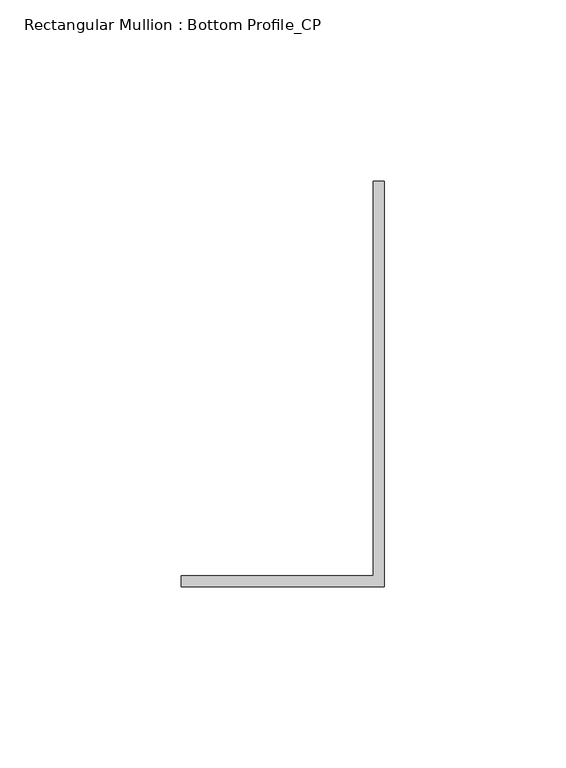
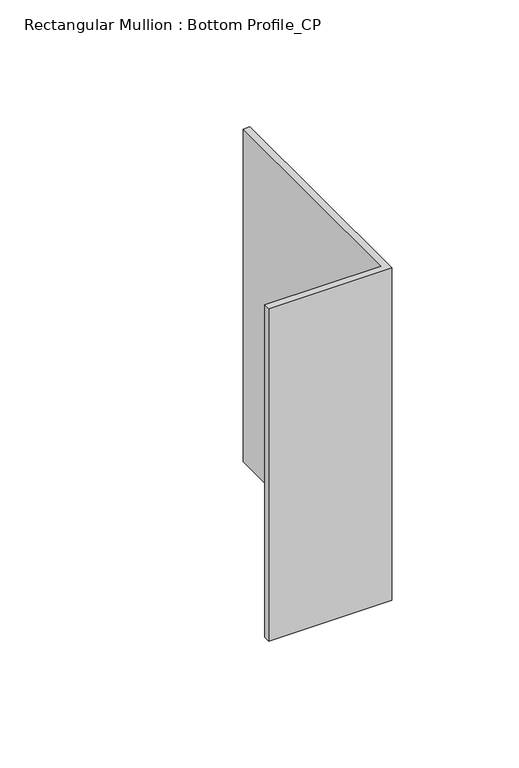
"""IFC4 building model written with IfcOpenShell, lengths in millimetres: member geometry, Rectangular Mullion : Bottom Profile_CP."""

from ifc_helpers import new_model, si_unit, frame, origin, place, context, project, spatial, polyline, outline, extrude, source, transform, mapped, element, save


def rectangular_mullion_bottom_profile_cp_449efe12(model_context):
    return source(origin(), model_context, "Body", "SweptSolid", [
        extrude(outline(polyline([(-56.0, -105.0000064), (-2.999988, -105.0000129), (-2.9999746, 3.7999882), (0.0, 3.7999882), (0.0, -108.0), (-56.0, -108.0), (-56.0, -105.0000064)])), frame((0.0, 0.0, -160.0), z_axis=(0.0, 0.0, 1.0), x_axis=(1.0, 0.0, 0.0)), (0.0, 0.0, 1.0), 160.0),
    ])


if __name__ == "__main__":
    model = new_model("IFC4")
    model_context = context("Model", 3, world=origin())
    ifc_project = project(units=[si_unit("LENGTHUNIT", "METRE", prefix="MILLI")], contexts=[model_context])
    site = spatial("IfcSite", under=ifc_project)
    building = spatial("IfcBuilding", under=site)
    placement = place(None, origin())
    rectangular_mullion_bottom_profile_cp_shape = rectangular_mullion_bottom_profile_cp_449efe12(model_context)
    element("IfcMember", 1, ObjectType="Rectangular Mullion : Bottom Profile_CP", at=placement, inside=building, context=model_context, shape_type="MappedRepresentation", body=[
        mapped(rectangular_mullion_bottom_profile_cp_shape, transform((0.0, 0.0, 0.0), x_axis=(1.0, 0.0, 0.0), y_axis=(0.0, 1.0, 0.0), z_axis=(0.0, 0.0, 1.0))),
    ])
    save(model, "model.ifc")
